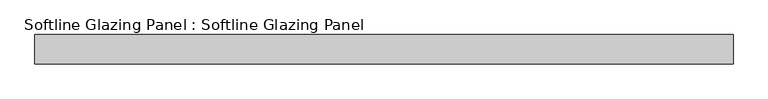
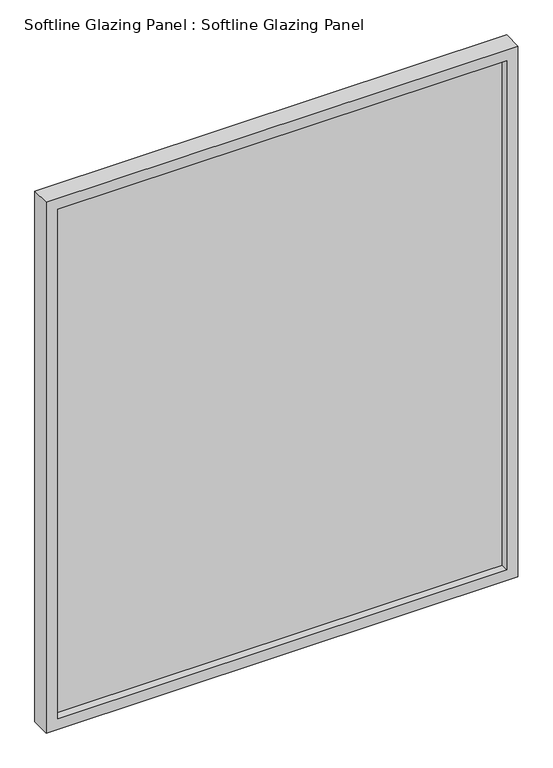
"""IFC4 building model written with IfcOpenShell, lengths in millimetres: plate geometry, Softline Glazing Panel : Softline Glazing Panel."""

from ifc_helpers import new_model, si_unit, frame, origin, place, context, project, spatial, polyline, outline, extrude, faceted_brep, source, transform, mapped, element, save


def softline_glazing_panel_softline_glazing_panel_72c97fd3(model_context):
    return source(origin(), model_context, "Body", "SolidModel", [
        extrude(outline(polyline([(523.25, 4.0), (523.25, -4.0), (-523.25, -4.0), (-523.25, 4.0), (523.25, 4.0)])), frame((0.0, 0.0, 16.0), z_axis=(0.0, 0.0, 1.0), x_axis=(1.0, 0.0, 0.0)), (0.0, 0.0, 1.0), 1251.0),
        faceted_brep([(513.25, 4.0, 26.0), (513.25, 22.5, 26.0), (-513.25, 22.5, 26.0), (-513.25, 4.0, 26.0), (523.25, -4.0, 16.0), (523.25, 4.0, 16.0), (-523.25, 4.0, 16.0), (-523.25, -4.0, 16.0), (513.25, -22.5, 26.0), (513.25, -4.0, 26.0), (-513.25, -4.0, 26.0), (-513.25, -22.5, 26.0), (539.25, 22.5, 0.0), (539.25, -22.5, 0.0), (-539.25, -22.5, 0.0), (-539.25, 22.5, 0.0), (-513.25, 22.5, 1257.0), (-513.25, 4.0, 1257.0), (-523.25, 4.0, 1267.0), (-523.25, -4.0, 1267.0), (-513.25, -4.0, 1257.0), (-513.25, -22.5, 1257.0), (-539.25, -22.5, 1283.0), (-539.25, 22.5, 1283.0), (513.25, 22.5, 1257.0), (513.25, 4.0, 1257.0), (523.25, 4.0, 1267.0), (523.25, -4.0, 1267.0), (513.25, -4.0, 1257.0), (513.25, -22.5, 1257.0), (539.25, -22.5, 1283.0), (539.25, 22.5, 1283.0)], [[[0, 1, 2, 3]], [[4, 5, 6, 7]], [[8, 9, 10, 11]], [[12, 13, 14, 15]], [[3, 2, 16, 17]], [[7, 6, 18, 19]], [[11, 10, 20, 21]], [[15, 14, 22, 23]], [[17, 16, 24, 25]], [[19, 18, 26, 27]], [[21, 20, 28, 29]], [[23, 22, 30, 31]], [[15, 23, 31, 12], [1, 24, 16, 2]], [[25, 24, 1, 0]], [[5, 26, 18, 6], [3, 17, 25, 0]], [[27, 26, 5, 4]], [[7, 19, 27, 4], [9, 28, 20, 10]], [[29, 28, 9, 8]], [[13, 30, 22, 14], [11, 21, 29, 8]], [[31, 30, 13, 12]]]),
    ])


if __name__ == "__main__":
    model = new_model("IFC4")
    model_context = context("Model", 3, world=origin())
    ifc_project = project(units=[si_unit("LENGTHUNIT", "METRE", prefix="MILLI")], contexts=[model_context])
    site = spatial("IfcSite", under=ifc_project)
    building = spatial("IfcBuilding", under=site)
    placement = place(None, origin())
    softline_glazing_panel_softline_glazing_panel_shape = softline_glazing_panel_softline_glazing_panel_72c97fd3(model_context)
    element("IfcPlate", 1, ObjectType="Softline Glazing Panel : Softline Glazing Panel", at=placement, inside=building, context=model_context, shape_type="MappedRepresentation", body=[
        mapped(softline_glazing_panel_softline_glazing_panel_shape, transform((0.0, 0.0, 0.0), x_axis=(1.0, 0.0, 0.0), y_axis=(0.0, 1.0, 0.0), z_axis=(0.0, 0.0, 1.0))),
    ])
    save(model, "model.ifc")
